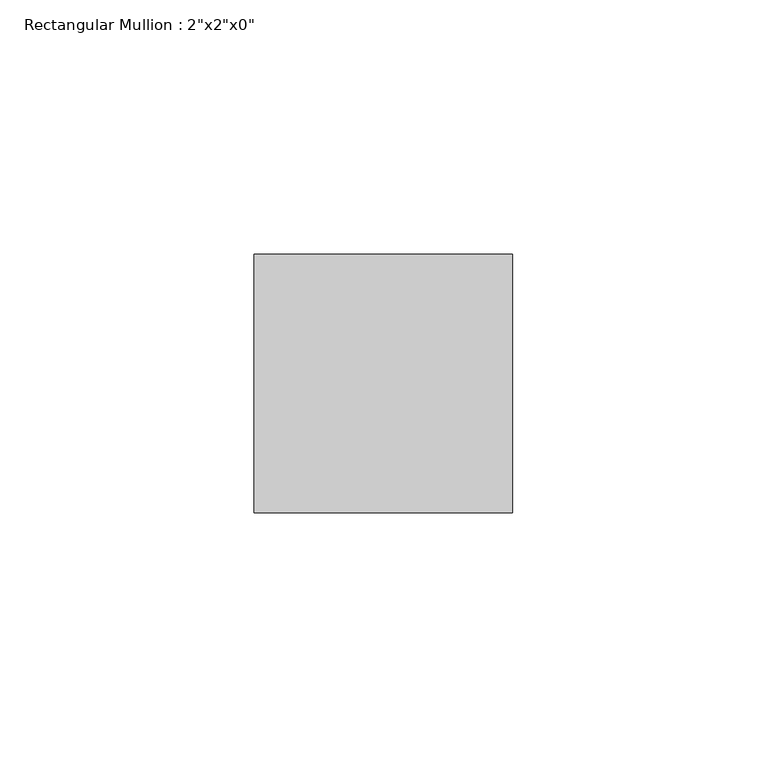
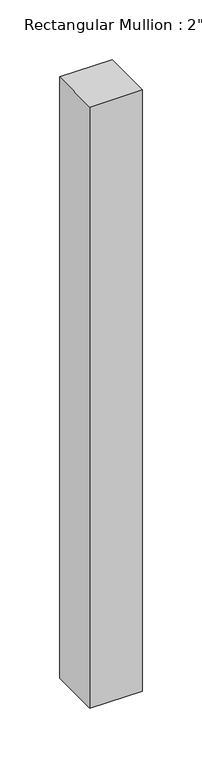
"""IFC4 building model written with IfcOpenShell, lengths in millimetres: member geometry."""

from ifc_helpers import new_model, si_unit, frame, origin, place, context, project, spatial, polyline, outline, extrude, source, transform, mapped, element, save


def member_30b1cf98(model_context):
    return source(origin(), model_context, "Body", "SweptSolid", [
        extrude(outline(polyline([(0.0, 25.4), (0.0, -25.4), (-50.8, -25.4), (-50.8, 25.4), (0.0, 25.4)])), frame((0.0, 0.0, -615.5747799), z_axis=(0.0, 0.0, 1.0), x_axis=(1.0, 0.0, 0.0)), (0.0, 0.0, 1.0), 615.5747799),
    ])


if __name__ == "__main__":
    model = new_model("IFC4")
    model_context = context("Model", 3, world=origin())
    ifc_project = project(units=[si_unit("LENGTHUNIT", "METRE", prefix="MILLI")], contexts=[model_context])
    site = spatial("IfcSite", under=ifc_project)
    building = spatial("IfcBuilding", under=site)
    placement = place(None, origin())
    member_shape = member_30b1cf98(model_context)
    element("IfcMember", 1, ObjectType="Rectangular Mullion : 2\"x2\"x0\"", at=placement, inside=building, context=model_context, shape_type="MappedRepresentation", body=[
        mapped(member_shape, transform((0.0, 0.0, 0.0), x_axis=(1.0, 0.0, 0.0), y_axis=(0.0, 1.0, 0.0), z_axis=(0.0, 0.0, 1.0))),
    ])
    save(model, "model.ifc")
